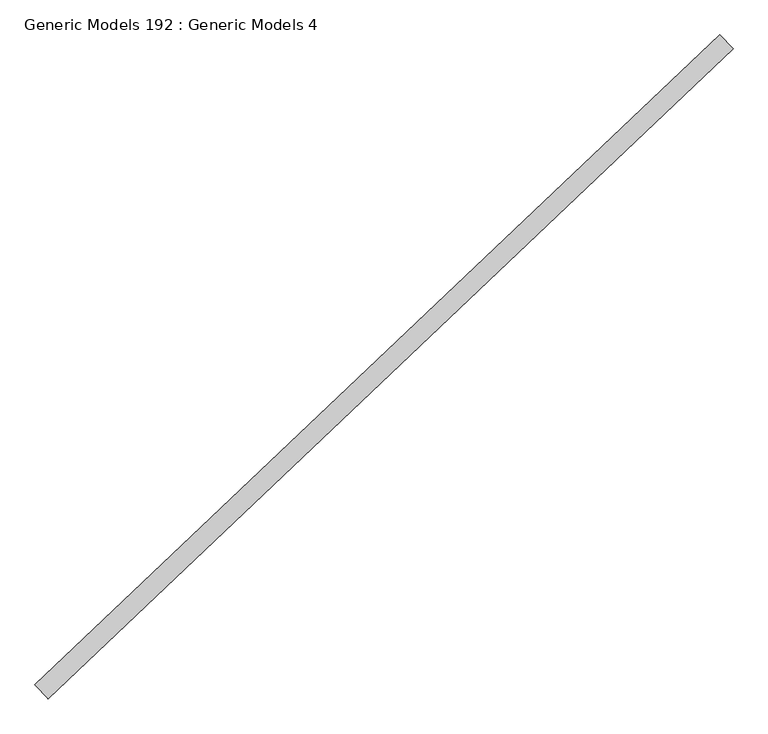
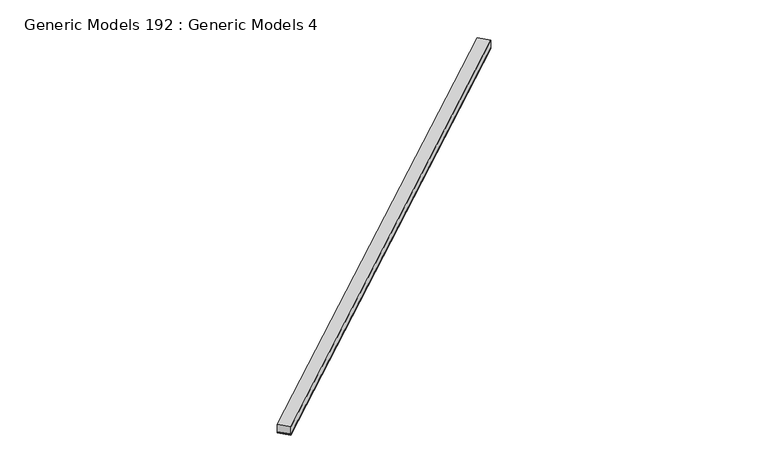
"""IFC4 building model written with IfcOpenShell, lengths in millimetres: proxy geometry, Generic Models 192 : Generic Models 4."""

import ifcopenshell
import ifcopenshell.guid

model = None  # the IFC model being written
_history = None  # IfcOwnerHistory: only IFC2X3 demands one
_inside = {}  # id of a spatial element -> (the spatial element, [elements in it])
_under = {}  # id of a project, library or spatial element -> (it, [spatial elements below it])
_declared = {}  # id of a project -> (the project, [libraries it declares])
_typed = {}  # id of a type object -> (the type object, [elements of that type])
_made_of = {}  # id of a material, layer set ... -> (it, [elements and type objects made of it])


def new_model(schema):
    """Start an empty IFC model of exactly this schema.

    Asked for "IFC4X3", IfcOpenShell would pick the latest addendum, in which some entities
    have other attributes; the version numbers below select the first issue.
    IFC2X3 requires an IfcOwnerHistory on every rooted entity: one is made here for all.
    """
    global model, _history
    if schema == "IFC4X3":
        model = ifcopenshell.file(schema_version=(4, 3, 0, 0))
    else:
        model = ifcopenshell.file(schema=schema)
    _inside.clear()
    _under.clear()
    _declared.clear()
    _typed.clear()
    _made_of.clear()
    _history = None
    if model.schema == "IFC2X3":
        org = make("IfcOrganization", Name="unknown")
        user = make(
            "IfcPersonAndOrganization",
            ThePerson=make("IfcPerson", FamilyName="unknown"),
            TheOrganization=org,
        )
        app = make(
            "IfcApplication",
            ApplicationDeveloper=org,
            Version="unknown",
            ApplicationFullName="unknown",
            ApplicationIdentifier="unknown",
        )
        _history = make(
            "IfcOwnerHistory",
            OwningUser=user,
            OwningApplication=app,
            ChangeAction="ADDED",
            CreationDate=0,
        )
    return model


def make(cls, **values):
    """One entity of the class cls with the attributes given. An attribute that is None is left unset."""
    return model.create_entity(
        cls, **{name: value for name, value in values.items() if value is not None}
    )


def rooted(cls, **values):
    """An entity with a GlobalId (a new one), such as an element, a storey or a relation."""
    return make(cls, GlobalId=ifcopenshell.guid.new(), OwnerHistory=_history, **values)


def si_unit(unit_type, name, prefix=None):
    """IfcSIUnit, for example si_unit("LENGTHUNIT", "METRE", prefix="MILLI")."""
    return make("IfcSIUnit", UnitType=unit_type, Prefix=prefix, Name=name)


def assignment(units):
    """IfcUnitAssignment: the units of a project."""
    return None if units is None else make("IfcUnitAssignment", Units=units)


def point(xyz):
    """IfcCartesianPoint."""
    return None if xyz is None else make("IfcCartesianPoint", Coordinates=xyz)


def direction(xyz):
    """IfcDirection."""
    return None if xyz is None else make("IfcDirection", DirectionRatios=xyz)


def frame(location, z_axis=None, x_axis=None):
    """IfcAxis2Placement3D, a coordinate frame: its origin and axes. An axis left out is left unset."""
    return make(
        "IfcAxis2Placement3D",
        Location=point(location),
        Axis=direction(z_axis),
        RefDirection=direction(x_axis),
    )


def frame_2d(location, x_axis=None):
    """IfcAxis2Placement2D, a coordinate frame in the plane: its origin and x axis."""
    return make(
        "IfcAxis2Placement2D", Location=point(location), RefDirection=direction(x_axis)
    )


def origin():
    """The frame at (0, 0, 0) with its axes left unset."""
    return frame((0.0, 0.0, 0.0))


def place(relative_to, where):
    """IfcLocalPlacement: puts the frame where relative to a parent placement (None: the world)."""
    return make(
        "IfcLocalPlacement", PlacementRelTo=relative_to, RelativePlacement=where
    )


def context(
    kind, dimensions, precision=None, world=None, true_north=None, identifier=None
):
    """IfcGeometricRepresentationContext, for example the 3D "Model" context."""
    return make(
        "IfcGeometricRepresentationContext",
        ContextIdentifier=identifier,
        ContextType=kind,
        CoordinateSpaceDimension=dimensions,
        Precision=precision,
        WorldCoordinateSystem=world,
        TrueNorth=true_north,
    )


def project(units=None, contexts=None):
    """IfcProject with its units and contexts."""
    return rooted(
        "IfcProject",
        Name="project",
        RepresentationContexts=contexts,
        UnitsInContext=assignment(units),
    )


def spatial(cls, under=None, at=None, **own):
    """A site, building, storey or space (cls), placed at a placement, below another one or the project."""
    s = rooted(cls, ObjectPlacement=at, **own)
    if under is not None:
        _under.setdefault(under.id(), (under, []))[1].append(s)
    return s


def polyline(points):
    """IfcPolyline through the points."""
    return make("IfcPolyline", Points=[point(p) for p in points])


def circle_curve(where, radius):
    """IfcCircle in the frame where."""
    return make("IfcCircle", Position=where, Radius=radius)


def trimmed(basis, trim1, trim2, sense, master):
    """IfcTrimmedCurve: the piece of a basis curve between two trims."""
    return make(
        "IfcTrimmedCurve",
        BasisCurve=basis,
        Trim1=trim1,
        Trim2=trim2,
        SenseAgreement=sense,
        MasterRepresentation=master,
    )


def segment(curve, same_sense, transition):
    """IfcCompositeCurveSegment."""
    return make(
        "IfcCompositeCurveSegment",
        Transition=transition,
        SameSense=same_sense,
        ParentCurve=curve,
    )


def composite_curve(segments, self_intersect=None):
    """IfcCompositeCurve: segments joined end to end."""
    return make("IfcCompositeCurve", Segments=segments, SelfIntersect=self_intersect)


def outline(outer, holes=None, kind="AREA"):
    """IfcArbitraryClosedProfileDef: a profile drawn as a closed curve; with holes, ...WithVoids."""
    if holes is None:
        return make("IfcArbitraryClosedProfileDef", ProfileType=kind, OuterCurve=outer)
    return make(
        "IfcArbitraryProfileDefWithVoids",
        ProfileType=kind,
        OuterCurve=outer,
        InnerCurves=holes,
    )


def extrude(swept, where, along, depth):
    """IfcExtrudedAreaSolid: the profile swept, set in the frame where, extruded along a direction by depth."""
    return make(
        "IfcExtrudedAreaSolid",
        SweptArea=swept,
        Position=where,
        ExtrudedDirection=direction(along),
        Depth=depth,
    )


def shape(context_of_items, identifier, shape_type, items):
    """IfcShapeRepresentation: the items that make up one representation, for example the "Body"."""
    return make(
        "IfcShapeRepresentation",
        ContextOfItems=context_of_items,
        RepresentationIdentifier=identifier,
        RepresentationType=shape_type,
        Items=items,
    )


def source(mapping_origin, context_of_items, identifier, shape_type, items):
    """IfcRepresentationMap: a shape defined once, which mapped items show again and again."""
    return make(
        "IfcRepresentationMap",
        MappingOrigin=mapping_origin,
        MappedRepresentation=shape(context_of_items, identifier, shape_type, items),
    )


def transform(
    local_origin,
    x_axis=None,
    y_axis=None,
    z_axis=None,
    scale=None,
    scale2=None,
    scale3=None,
    uniform=True,
):
    """IfcCartesianTransformationOperator3D, or its non-uniform kind. x_axis, y_axis, z_axis: its Axis1, 2, 3."""
    if uniform:
        return make(
            "IfcCartesianTransformationOperator3D",
            Axis1=direction(x_axis),
            Axis2=direction(y_axis),
            LocalOrigin=point(local_origin),
            Scale=scale,
            Axis3=direction(z_axis),
        )
    return make(
        "IfcCartesianTransformationOperator3DnonUniform",
        Axis1=direction(x_axis),
        Axis2=direction(y_axis),
        LocalOrigin=point(local_origin),
        Scale=scale,
        Axis3=direction(z_axis),
        Scale2=scale2,
        Scale3=scale3,
    )


def mapped(mapping_source, mapping_target):
    """IfcMappedItem: shows the shape of a source again, moved by a transform."""
    return make(
        "IfcMappedItem", MappingSource=mapping_source, MappingTarget=mapping_target
    )


def made_of(thing, what):
    """Note that an element or type object is made of a material, layer set ...; save() writes the relation."""
    if what is not None:
        _made_of.setdefault(what.id(), (what, []))[1].append(thing)
    return thing


def element(
    cls,
    number,
    at=None,
    inside=None,
    cuts=None,
    type_object=None,
    material=None,
    context=None,
    identifier="Body",
    shape_type=None,
    held_by="IfcProductDefinitionShape",
    body=None,
    shapes=None,
    **own,
):
    """One element of the class cls, such as IfcWall. Its Tag is "e" and its number.

    at: its placement. inside: the storey or other place that contains it. cuts: it is an
    opening in that element (IfcRelVoidsElement). A single representation is given by context,
    identifier, shape_type and body (its items); several are given by shapes. held_by: the class
    of the entity that holds the representations. save() writes the other relations.
    """
    e = rooted(cls, Tag="e%d" % number, ObjectPlacement=at, **own)
    if body is not None:
        shapes = [shape(context, identifier, shape_type, body)]
    if shapes is not None:
        e.Representation = make(held_by, Representations=shapes)
    if inside is not None:
        _inside.setdefault(inside.id(), (inside, []))[1].append(e)
    if cuts is not None:
        rooted(
            "IfcRelVoidsElement", RelatingBuildingElement=cuts, RelatedOpeningElement=e
        )
    if type_object is not None:
        _typed.setdefault(type_object.id(), (type_object, []))[1].append(e)
    return made_of(e, material)


def aggregate(whole, parts):
    """IfcRelAggregates: a whole, such as a stair, and the parts it consists of."""
    return rooted("IfcRelAggregates", RelatingObject=whole, RelatedObjects=parts)


def save(model, path):
    """Write the relations noted so far, then the file.

    IfcRelAggregates (storeys below a building ...), IfcRelContainedInSpatialStructure (elements
    in a storey), IfcRelDefinesByType, IfcRelAssociatesMaterial and IfcRelDeclares: one each for
    every whole, place, type object, material and project.
    """
    for whole, parts in _under.values():
        aggregate(whole, parts)
    for where, things in _inside.values():
        rooted(
            "IfcRelContainedInSpatialStructure",
            RelatedElements=things,
            RelatingStructure=where,
        )
    for kind, things in _typed.values():
        rooted("IfcRelDefinesByType", RelatedObjects=things, RelatingType=kind)
    for what, things in _made_of.values():
        rooted("IfcRelAssociatesMaterial", RelatedObjects=things, RelatingMaterial=what)
    for by, libraries in _declared.values():
        rooted("IfcRelDeclares", RelatingContext=by, RelatedDefinitions=libraries)
    model.write(path)


def generic_models_192_generic_models_4_6ceecae5(model_context):
    return source(origin(), model_context, "Body", "SweptSolid", [
        extrude(outline(composite_curve([segment(polyline([(92.075, -9.128125), (0.0, -9.128125)]), True, "CONTINUOUS"), segment(trimmed(circle_curve(frame_2d((-4.4149557, -4.5640625)), 6.35), [point((0.0, -9.128125))], [point((0.0, 0.0))], True, "CARTESIAN"), True, "CONTINUOUS"), segment(polyline([(0.0, 0.0), (92.075, 0.0)]), True, "CONTINUOUS"), segment(trimmed(circle_curve(frame_2d((96.4899556, -4.5640625)), 6.35), [point((92.075, 0.0))], [point((92.075, -9.128125))], True, "CARTESIAN"), True, "CONTINUOUS")], self_intersect=False)), frame((99763.4645275, 57298.7606646, 17367.8378084), z_axis=(0.7253743710123147, 0.6883545756937256, 0.0), x_axis=(0.6883545756937256, -0.7253743710123147, 0.0)), (0.0, 0.0, 1.0), 4530.725),
        extrude(outline(polyline([(99826.844775, 57231.9718194), (99763.4645275, 57298.7606646), (103049.9363246, 60417.5059496), (103113.3165721, 60350.7171044), (99826.844775, 57231.9718194)])), frame((0.0, 0.0, 17377.3628084), z_axis=(0.0, 0.0, 1.0), x_axis=(1.0, 0.0, 0.0)), (0.0, 0.0, 1.0), 57.15),
    ])


if __name__ == "__main__":
    model = new_model("IFC4")
    model_context = context("Model", 3, world=origin())
    ifc_project = project(units=[si_unit("LENGTHUNIT", "METRE", prefix="MILLI")], contexts=[model_context])
    site = spatial("IfcSite", under=ifc_project)
    building = spatial("IfcBuilding", under=site)
    placement = place(None, origin())
    generic_models_192_generic_models_4_shape = generic_models_192_generic_models_4_6ceecae5(model_context)
    element("IfcBuildingElementProxy", 1, Name="Generic Models 192 : Generic Models 4", ObjectType="Generic Models 192 : Generic Models 4", at=placement, inside=building, context=model_context, shape_type="MappedRepresentation", body=[
        mapped(generic_models_192_generic_models_4_shape, transform((0.0, 0.0, 0.0), x_axis=(1.0, 0.0, 0.0), y_axis=(0.0, 1.0, 0.0), z_axis=(0.0, 0.0, 1.0))),
    ])
    save(model, "model.ifc")
